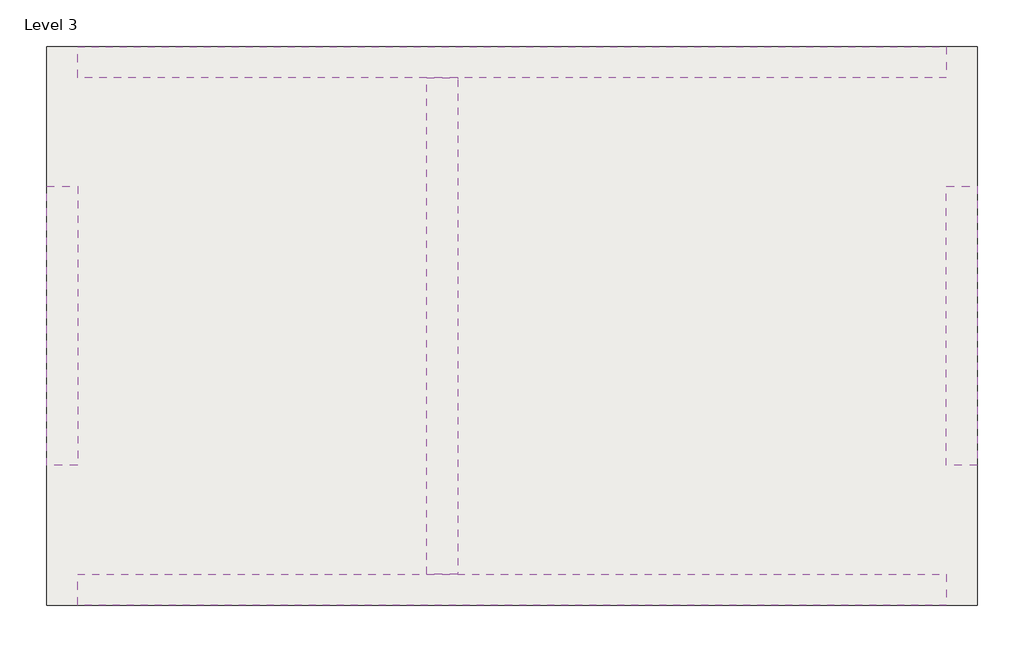
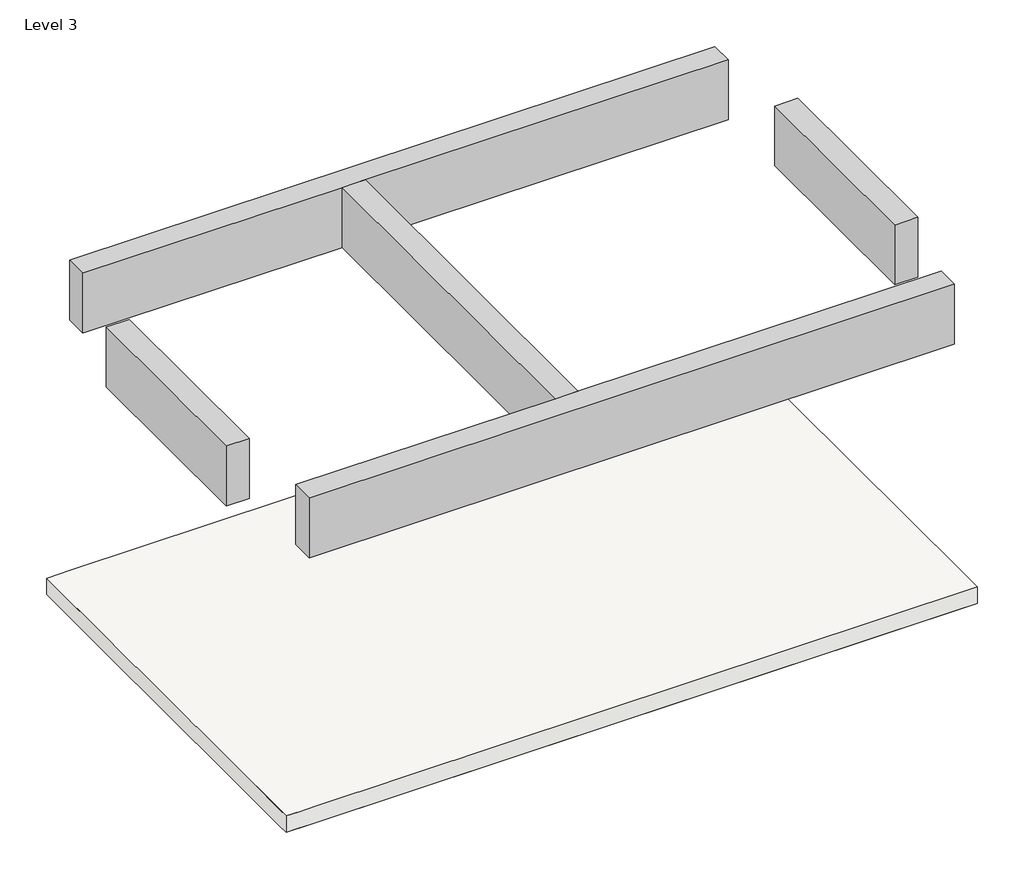
# One storey: 5 beams, 2 slabs.
"""IFC4 building model written with IfcOpenShell, lengths in millimetres."""

from ifc_helpers import new_model, si_unit, frame, origin, place, context, project, spatial, polyline, outline, extrude, faceted_brep, element, save

model = new_model("IFC4")

# Units and contexts
model_context = context("Model", 3, world=origin())
ifc_project = project(units=[si_unit("LENGTHUNIT", "METRE", prefix="MILLI")], contexts=[model_context])

# Site, building, storey
site = spatial("IfcSite", under=ifc_project)
building = spatial("IfcBuilding", under=site)
storey = spatial("IfcBuildingStorey", under=building, Name="Level 3", Elevation=6096.0)

# Beams
placement = place(None, origin())
element("IfcBeam", 1, ObjectType="Concrete-Rectangular Beam : 8 x 28", at=placement, inside=storey, context=model_context, shape_type="Brep", body=[
    faceted_brep([(-11.5069565, -4481.3615499, 8432.8), (2274.4930435, -4481.3615499, 8432.8), (2477.6930435, -4481.3615499, 8432.8), (5678.0930435, -4481.3615499, 8432.8), (5678.0930435, -4481.3615499, 8991.6), (2477.6930435, -4481.3615499, 8991.6), (2274.4930435, -4481.3615499, 8991.6), (-11.5069565, -4481.3615499, 8991.6), (-11.5069565, -4278.1615499, 8432.8), (5678.0930435, -4278.1615499, 8432.8), (-11.5069565, -4278.1615499, 8991.6), (5678.0930435, -4278.1615499, 8991.6)], [[[0, 1, 2, 3, 4, 5, 6, 7]], [[0, 8, 9, 3, 2, 1]], [[9, 8, 10, 11]], [[8, 0, 7, 10]], [[3, 9, 11, 4]], [[7, 6, 5, 4, 11, 10]]]),
])
element("IfcBeam", 2, ObjectType="Concrete-Rectangular Beam : 8 x 28", at=placement, inside=storey, context=model_context, shape_type="SweptSolid", body=[
    extrude(outline(polyline([(5678.0930435, -5192.5615499), (5881.2930435, -5192.5615499), (5881.2930435, -7021.3615499), (5678.0930435, -7021.3615499), (5678.0930435, -5192.5615499)])), frame((0.0, 0.0, 8432.8), z_axis=(0.0, 0.0, 1.0), x_axis=(1.0, 0.0, 0.0)), (0.0, 0.0, 1.0), 558.8),
])
element("IfcBeam", 3, ObjectType="Concrete-Rectangular Beam : 8 x 28", at=placement, inside=storey, context=model_context, shape_type="Brep", body=[
    faceted_brep([(5678.0930435, -7732.5615499, 8432.8), (2477.6930435, -7732.5615499, 8432.8), (2274.4930435, -7732.5615499, 8432.8), (-11.5069565, -7732.5615499, 8432.8), (-11.5069565, -7732.5615499, 8991.6), (2274.4930435, -7732.5615499, 8991.6), (2477.6930435, -7732.5615499, 8991.6), (5678.0930435, -7732.5615499, 8991.6), (5678.0930435, -7935.7615499, 8432.8), (-11.5069565, -7935.7615499, 8432.8), (5678.0930435, -7935.7615499, 8991.6), (-11.5069565, -7935.7615499, 8991.6)], [[[0, 1, 2, 3, 4, 5, 6, 7]], [[3, 2, 1, 0, 8, 9]], [[9, 8, 10, 11]], [[8, 0, 7, 10]], [[3, 9, 11, 4]], [[7, 6, 5, 4, 11, 10]]]),
])
element("IfcBeam", 4, ObjectType="Concrete-Rectangular Beam : 8 x 28", at=placement, inside=storey, context=model_context, shape_type="SweptSolid", body=[
    extrude(outline(polyline([(-214.7069565, -5192.5615499), (-11.5069565, -5192.5615499), (-11.5069565, -7021.3615499), (-214.7069565, -7021.3615499), (-214.7069565, -5192.5615499)])), frame((0.0, 0.0, 8432.8), z_axis=(0.0, 0.0, 1.0), x_axis=(1.0, 0.0, 0.0)), (0.0, 0.0, 1.0), 558.8),
])
element("IfcBeam", 5, ObjectType="Concrete-Rectangular Beam : 8 x 28", at=placement, inside=storey, context=model_context, shape_type="Brep", body=[
    faceted_brep([(2274.4930435, -4481.3615499, 8432.8), (2274.4930435, -7732.5615499, 8432.8), (2274.4930435, -7732.5615499, 8991.6), (2274.4930435, -4481.3615499, 8991.6), (2477.6930435, -4481.3615499, 8432.8), (2477.6930435, -4494.0615499, 8432.8), (2477.6930435, -7719.8615499, 8432.8), (2477.6930435, -7732.5615499, 8432.8), (2477.6930435, -4481.3615499, 8991.6), (2477.6930435, -4494.0615499, 8991.6), (2477.6930435, -7719.8615499, 8991.6), (2477.6930435, -7732.5615499, 8991.6)], [[[0, 1, 2, 3]], [[0, 4, 5, 6, 7, 1]], [[7, 6, 5, 4, 8, 9, 10, 11]], [[4, 0, 3, 8]], [[1, 7, 11, 2]], [[3, 2, 11, 10, 9, 8]]]),
])

# Slabs
element("IfcSlab", 6, ObjectType="Generic - 6\"", at=placement, inside=storey, context=model_context, shape_type="Brep", body=[
    faceted_brep([(-214.7069565, -4278.1615499, 5943.6), (-113.1069565, -4278.1615499, 5943.6), (-11.5069565, -4278.1615499, 5943.6), (5665.3930435, -4278.1615499, 5943.6), (5678.0930435, -4278.1615499, 5943.6), (5881.2930435, -4278.1615499, 5943.6), (5881.2930435, -4379.7615499, 5943.6), (5881.2930435, -5192.5615499, 5943.6), (5881.2930435, -7021.3615499, 5943.6), (5881.2930435, -7719.8615499, 5943.6), (5881.2930435, -7935.7615499, 5943.6), (5678.0930435, -7935.7615499, 5943.6), (1.1930435, -7935.7615499, 5943.6), (-11.5069565, -7935.7615499, 5943.6), (-113.1069565, -7935.7615499, 5943.6), (-214.7069565, -7935.7615499, 5943.6), (-214.7069565, -7834.1615499, 5943.6), (-214.7069565, -7021.3615499, 5943.6), (-214.7069565, -5192.5615499, 5943.6), (-214.7069565, -4379.7615499, 5943.6), (-214.7069565, -4278.1615499, 6096.0), (-214.7069565, -4379.7615499, 6096.0), (-214.7069565, -5192.5615499, 6096.0), (-214.7069565, -7021.3615499, 6096.0), (-214.7069565, -7834.1615499, 6096.0), (-214.7069565, -7935.7615499, 6096.0), (-113.1069565, -7935.7615499, 6096.0), (-11.5069565, -7935.7615499, 6096.0), (1.1930435, -7935.7615499, 6096.0), (5881.2930435, -7935.7615499, 6096.0), (5881.2930435, -7719.8615499, 6096.0), (5881.2930435, -4278.1615499, 6096.0), (5665.3930435, -4278.1615499, 6096.0), (-11.5069565, -4278.1615499, 6096.0), (-113.1069565, -4278.1615499, 6096.0)], [[[0, 1, 2, 3, 4, 5, 6, 7, 8, 9, 10, 11, 12, 13, 14, 15, 16, 17, 18, 19]], [[20, 21, 22, 23, 24, 25, 26, 27, 28, 29, 30, 31, 32, 33, 34]], [[5, 4, 3, 2, 1, 0, 20, 34, 33, 32, 31]], [[10, 9, 8, 7, 6, 5, 31, 30, 29]], [[15, 14, 13, 12, 11, 10, 29, 28, 27, 26, 25]], [[0, 19, 18, 17, 16, 15, 25, 24, 23, 22, 21, 20]]]),
])
element("IfcSlab", 7, ObjectType="Generic - 6\"", at=placement, inside=storey, context=model_context, shape_type="Brep", body=[
    faceted_brep([(-214.7069565, -4278.1615499, 5943.6), (5665.3930435, -4278.1615499, 5943.6), (5881.2930435, -4278.1615499, 5943.6), (5881.2930435, -4379.7615499, 5943.6), (5881.2930435, -5192.5615499, 5943.6), (5881.2930435, -7021.3615499, 5943.6), (5881.2930435, -7935.7615499, 5943.6), (1.1930435, -7935.7615499, 5943.6), (-11.5069565, -7935.7615499, 5943.6), (-214.7069565, -7935.7615499, 5943.6), (-214.7069565, -7021.3615499, 5943.6), (-214.7069565, -5192.5615499, 5943.6), (-214.7069565, -4278.1615499, 6096.0), (-214.7069565, -5192.5615499, 6096.0), (-214.7069565, -7021.3615499, 6096.0), (-214.7069565, -7935.7615499, 6096.0), (-11.5069565, -7935.7615499, 6096.0), (1.1930435, -7935.7615499, 6096.0), (5881.2930435, -7935.7615499, 6096.0), (5881.2930435, -7719.8615499, 6096.0), (5881.2930435, -4278.1615499, 6096.0), (5665.3930435, -4278.1615499, 6096.0)], [[[0, 1, 2, 3, 4, 5, 6, 7, 8, 9, 10, 11]], [[12, 13, 14, 15, 16, 17, 18, 19, 20, 21]], [[2, 1, 0, 12, 21, 20]], [[6, 5, 4, 3, 2, 20, 19, 18]], [[9, 8, 7, 6, 18, 17, 16, 15]], [[0, 11, 10, 9, 15, 14, 13, 12]]]),
])

save(model, "model.ifc")
